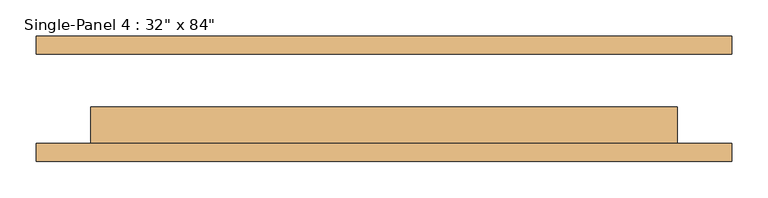
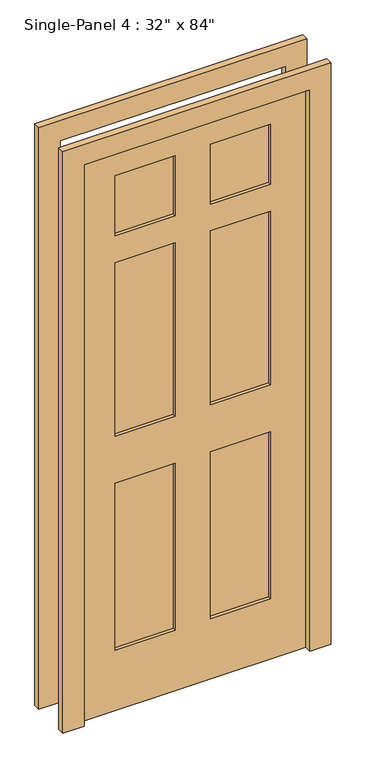
"""IFC4 building model written with IfcOpenShell, lengths in millimetres: door geometry."""

import ifcopenshell
import ifcopenshell.guid

model = None  # the IFC model being written
_history = None  # IfcOwnerHistory: only IFC2X3 demands one
_inside = {}  # id of a spatial element -> (the spatial element, [elements in it])
_under = {}  # id of a project, library or spatial element -> (it, [spatial elements below it])
_declared = {}  # id of a project -> (the project, [libraries it declares])
_typed = {}  # id of a type object -> (the type object, [elements of that type])
_made_of = {}  # id of a material, layer set ... -> (it, [elements and type objects made of it])


def new_model(schema):
    """Start an empty IFC model of exactly this schema.

    Asked for "IFC4X3", IfcOpenShell would pick the latest addendum, in which some entities
    have other attributes; the version numbers below select the first issue.
    IFC2X3 requires an IfcOwnerHistory on every rooted entity: one is made here for all.
    """
    global model, _history
    if schema == "IFC4X3":
        model = ifcopenshell.file(schema_version=(4, 3, 0, 0))
    else:
        model = ifcopenshell.file(schema=schema)
    _inside.clear()
    _under.clear()
    _declared.clear()
    _typed.clear()
    _made_of.clear()
    _history = None
    if model.schema == "IFC2X3":
        org = make("IfcOrganization", Name="unknown")
        user = make(
            "IfcPersonAndOrganization",
            ThePerson=make("IfcPerson", FamilyName="unknown"),
            TheOrganization=org,
        )
        app = make(
            "IfcApplication",
            ApplicationDeveloper=org,
            Version="unknown",
            ApplicationFullName="unknown",
            ApplicationIdentifier="unknown",
        )
        _history = make(
            "IfcOwnerHistory",
            OwningUser=user,
            OwningApplication=app,
            ChangeAction="ADDED",
            CreationDate=0,
        )
    return model


def make(cls, **values):
    """One entity of the class cls with the attributes given. An attribute that is None is left unset."""
    return model.create_entity(
        cls, **{name: value for name, value in values.items() if value is not None}
    )


def rooted(cls, **values):
    """An entity with a GlobalId (a new one), such as an element, a storey or a relation."""
    return make(cls, GlobalId=ifcopenshell.guid.new(), OwnerHistory=_history, **values)


def si_unit(unit_type, name, prefix=None):
    """IfcSIUnit, for example si_unit("LENGTHUNIT", "METRE", prefix="MILLI")."""
    return make("IfcSIUnit", UnitType=unit_type, Prefix=prefix, Name=name)


def assignment(units):
    """IfcUnitAssignment: the units of a project."""
    return None if units is None else make("IfcUnitAssignment", Units=units)


def point(xyz):
    """IfcCartesianPoint."""
    return None if xyz is None else make("IfcCartesianPoint", Coordinates=xyz)


def direction(xyz):
    """IfcDirection."""
    return None if xyz is None else make("IfcDirection", DirectionRatios=xyz)


def frame(location, z_axis=None, x_axis=None):
    """IfcAxis2Placement3D, a coordinate frame: its origin and axes. An axis left out is left unset."""
    return make(
        "IfcAxis2Placement3D",
        Location=point(location),
        Axis=direction(z_axis),
        RefDirection=direction(x_axis),
    )


def origin():
    """The frame at (0, 0, 0) with its axes left unset."""
    return frame((0.0, 0.0, 0.0))


def place(relative_to, where):
    """IfcLocalPlacement: puts the frame where relative to a parent placement (None: the world)."""
    return make(
        "IfcLocalPlacement", PlacementRelTo=relative_to, RelativePlacement=where
    )


def context(
    kind, dimensions, precision=None, world=None, true_north=None, identifier=None
):
    """IfcGeometricRepresentationContext, for example the 3D "Model" context."""
    return make(
        "IfcGeometricRepresentationContext",
        ContextIdentifier=identifier,
        ContextType=kind,
        CoordinateSpaceDimension=dimensions,
        Precision=precision,
        WorldCoordinateSystem=world,
        TrueNorth=true_north,
    )


def project(units=None, contexts=None):
    """IfcProject with its units and contexts."""
    return rooted(
        "IfcProject",
        Name="project",
        RepresentationContexts=contexts,
        UnitsInContext=assignment(units),
    )


def spatial(cls, under=None, at=None, **own):
    """A site, building, storey or space (cls), placed at a placement, below another one or the project."""
    s = rooted(cls, ObjectPlacement=at, **own)
    if under is not None:
        _under.setdefault(under.id(), (under, []))[1].append(s)
    return s


def polyline(points):
    """IfcPolyline through the points."""
    return make("IfcPolyline", Points=[point(p) for p in points])


def outline(outer, holes=None, kind="AREA"):
    """IfcArbitraryClosedProfileDef: a profile drawn as a closed curve; with holes, ...WithVoids."""
    if holes is None:
        return make("IfcArbitraryClosedProfileDef", ProfileType=kind, OuterCurve=outer)
    return make(
        "IfcArbitraryProfileDefWithVoids",
        ProfileType=kind,
        OuterCurve=outer,
        InnerCurves=holes,
    )


def extrude(swept, where, along, depth):
    """IfcExtrudedAreaSolid: the profile swept, set in the frame where, extruded along a direction by depth."""
    return make(
        "IfcExtrudedAreaSolid",
        SweptArea=swept,
        Position=where,
        ExtrudedDirection=direction(along),
        Depth=depth,
    )


def shape(context_of_items, identifier, shape_type, items):
    """IfcShapeRepresentation: the items that make up one representation, for example the "Body"."""
    return make(
        "IfcShapeRepresentation",
        ContextOfItems=context_of_items,
        RepresentationIdentifier=identifier,
        RepresentationType=shape_type,
        Items=items,
    )


def source(mapping_origin, context_of_items, identifier, shape_type, items):
    """IfcRepresentationMap: a shape defined once, which mapped items show again and again."""
    return make(
        "IfcRepresentationMap",
        MappingOrigin=mapping_origin,
        MappedRepresentation=shape(context_of_items, identifier, shape_type, items),
    )


def transform(
    local_origin,
    x_axis=None,
    y_axis=None,
    z_axis=None,
    scale=None,
    scale2=None,
    scale3=None,
    uniform=True,
):
    """IfcCartesianTransformationOperator3D, or its non-uniform kind. x_axis, y_axis, z_axis: its Axis1, 2, 3."""
    if uniform:
        return make(
            "IfcCartesianTransformationOperator3D",
            Axis1=direction(x_axis),
            Axis2=direction(y_axis),
            LocalOrigin=point(local_origin),
            Scale=scale,
            Axis3=direction(z_axis),
        )
    return make(
        "IfcCartesianTransformationOperator3DnonUniform",
        Axis1=direction(x_axis),
        Axis2=direction(y_axis),
        LocalOrigin=point(local_origin),
        Scale=scale,
        Axis3=direction(z_axis),
        Scale2=scale2,
        Scale3=scale3,
    )


def mapped(mapping_source, mapping_target):
    """IfcMappedItem: shows the shape of a source again, moved by a transform."""
    return make(
        "IfcMappedItem", MappingSource=mapping_source, MappingTarget=mapping_target
    )


def made_of(thing, what):
    """Note that an element or type object is made of a material, layer set ...; save() writes the relation."""
    if what is not None:
        _made_of.setdefault(what.id(), (what, []))[1].append(thing)
    return thing


def element(
    cls,
    number,
    at=None,
    inside=None,
    cuts=None,
    type_object=None,
    material=None,
    context=None,
    identifier="Body",
    shape_type=None,
    held_by="IfcProductDefinitionShape",
    body=None,
    shapes=None,
    **own,
):
    """One element of the class cls, such as IfcWall. Its Tag is "e" and its number.

    at: its placement. inside: the storey or other place that contains it. cuts: it is an
    opening in that element (IfcRelVoidsElement). A single representation is given by context,
    identifier, shape_type and body (its items); several are given by shapes. held_by: the class
    of the entity that holds the representations. save() writes the other relations.
    """
    e = rooted(cls, Tag="e%d" % number, ObjectPlacement=at, **own)
    if body is not None:
        shapes = [shape(context, identifier, shape_type, body)]
    if shapes is not None:
        e.Representation = make(held_by, Representations=shapes)
    if inside is not None:
        _inside.setdefault(inside.id(), (inside, []))[1].append(e)
    if cuts is not None:
        rooted(
            "IfcRelVoidsElement", RelatingBuildingElement=cuts, RelatedOpeningElement=e
        )
    if type_object is not None:
        _typed.setdefault(type_object.id(), (type_object, []))[1].append(e)
    return made_of(e, material)


def aggregate(whole, parts):
    """IfcRelAggregates: a whole, such as a stair, and the parts it consists of."""
    return rooted("IfcRelAggregates", RelatingObject=whole, RelatedObjects=parts)


def save(model, path):
    """Write the relations noted so far, then the file.

    IfcRelAggregates (storeys below a building ...), IfcRelContainedInSpatialStructure (elements
    in a storey), IfcRelDefinesByType, IfcRelAssociatesMaterial and IfcRelDeclares: one each for
    every whole, place, type object, material and project.
    """
    for whole, parts in _under.values():
        aggregate(whole, parts)
    for where, things in _inside.values():
        rooted(
            "IfcRelContainedInSpatialStructure",
            RelatedElements=things,
            RelatingStructure=where,
        )
    for kind, things in _typed.values():
        rooted("IfcRelDefinesByType", RelatedObjects=things, RelatingType=kind)
    for what, things in _made_of.values():
        rooted("IfcRelAssociatesMaterial", RelatedObjects=things, RelatingMaterial=what)
    for by, libraries in _declared.values():
        rooted("IfcRelDeclares", RelatingContext=by, RelatedDefinitions=libraries)
    model.write(path)


def door_2e52e650(model_context):
    return source(origin(), model_context, "Body", "SweptSolid", [
        extrude(outline(polyline([(0.0, -482.6), (0.0, -406.4), (2133.6, -406.4), (2133.6, 406.4), (0.0, 406.4), (0.0, 482.6), (2209.8, 482.6), (2209.8, -482.6), (0.0, -482.6)])), frame((0.0, 61.9125, 0.0), z_axis=(0.0, 1.0, 0.0), x_axis=(0.0, 0.0, 1.0)), (0.0, 0.0, 1.0), 25.4),
        extrude(outline(polyline([(0.0, 482.6), (2209.8, 482.6), (2209.8, -482.6), (0.0, -482.6), (0.0, -406.4), (2133.6, -406.4), (2133.6, 406.4), (0.0, 406.4), (0.0, 482.6)])), frame((0.0, -87.3125, 0.0), z_axis=(0.0, 1.0, 0.0), x_axis=(0.0, 0.0, 1.0)), (0.0, 0.0, 1.0), 25.4),
        extrude(outline(polyline([(-63.5, -23.8125), (-63.5, -49.2125), (-279.4, -49.2125), (-279.4, -23.8125), (-63.5, -23.8125)])), frame((0.0, 0.0, 1803.4), z_axis=(0.0, 0.0, 1.0), x_axis=(1.0, 0.0, 0.0)), (0.0, 0.0, 1.0), 228.6),
        extrude(outline(polyline([(279.4, -23.8125), (279.4, -49.2125), (63.5, -49.2125), (63.5, -23.8125), (279.4, -23.8125)])), frame((0.0, 0.0, 1803.4), z_axis=(0.0, 0.0, 1.0), x_axis=(1.0, 0.0, 0.0)), (0.0, 0.0, 1.0), 228.6),
        extrude(outline(polyline([(-63.5, -23.8125), (-63.5, -49.2125), (-279.4, -49.2125), (-279.4, -23.8125), (-63.5, -23.8125)])), frame((0.0, 0.0, 1041.4), z_axis=(0.0, 0.0, 1.0), x_axis=(1.0, 0.0, 0.0)), (0.0, 0.0, 1.0), 660.4),
        extrude(outline(polyline([(279.4, -23.8125), (279.4, -49.2125), (63.5, -49.2125), (63.5, -23.8125), (279.4, -23.8125)])), frame((0.0, 0.0, 1041.4), z_axis=(0.0, 0.0, 1.0), x_axis=(1.0, 0.0, 0.0)), (0.0, 0.0, 1.0), 660.4),
        extrude(outline(polyline([(-63.5, -23.8125), (-63.5, -49.2125), (-279.4, -49.2125), (-279.4, -23.8125), (-63.5, -23.8125)])), frame((0.0, 0.0, 228.6), z_axis=(0.0, 0.0, 1.0), x_axis=(1.0, 0.0, 0.0)), (0.0, 0.0, 1.0), 635.0),
        extrude(outline(polyline([(279.4, -23.8125), (279.4, -49.2125), (63.5, -49.2125), (63.5, -23.8125), (279.4, -23.8125)])), frame((0.0, 0.0, 228.6), z_axis=(0.0, 0.0, 1.0), x_axis=(1.0, 0.0, 0.0)), (0.0, 0.0, 1.0), 635.0),
        extrude(outline(polyline([(2133.6, 406.4), (2133.6, -406.4), (0.0, -406.4), (0.0, 406.4), (2133.6, 406.4)]), holes=[polyline([(2032.0, -63.5), (1803.4, -63.5), (1803.4, -279.4), (2032.0, -279.4), (2032.0, -63.5)]), polyline([(2032.0, 279.4), (1803.4, 279.4), (1803.4, 63.5), (2032.0, 63.5), (2032.0, 279.4)]), polyline([(1701.8, -63.5), (1041.4, -63.5), (1041.4, -279.4), (1701.8, -279.4), (1701.8, -63.5)]), polyline([(1701.8, 279.4), (1041.4, 279.4), (1041.4, 63.5), (1701.8, 63.5), (1701.8, 279.4)]), polyline([(863.6, -63.5), (228.6, -63.5), (228.6, -279.4), (863.6, -279.4), (863.6, -63.5)]), polyline([(863.6, 279.4), (228.6, 279.4), (228.6, 63.5), (863.6, 63.5), (863.6, 279.4)])]), frame((0.0, -61.9125, 0.0), z_axis=(0.0, 1.0, 0.0), x_axis=(0.0, 0.0, 1.0)), (0.0, 0.0, 1.0), 50.8),
    ])


if __name__ == "__main__":
    model = new_model("IFC4")
    model_context = context("Model", 3, world=origin())
    ifc_project = project(units=[si_unit("LENGTHUNIT", "METRE", prefix="MILLI")], contexts=[model_context])
    site = spatial("IfcSite", under=ifc_project)
    building = spatial("IfcBuilding", under=site)
    placement = place(None, origin())
    door_shape = door_2e52e650(model_context)
    element("IfcDoor", 1, ObjectType="Single-Panel 4 : 32\" x 84\"", at=placement, inside=building, context=model_context, shape_type="MappedRepresentation", body=[
        mapped(door_shape, transform((0.0, 0.0, 0.0), x_axis=(1.0, 0.0, 0.0), y_axis=(0.0, 1.0, 0.0), z_axis=(0.0, 0.0, 1.0))),
    ])
    save(model, "model.ifc")
